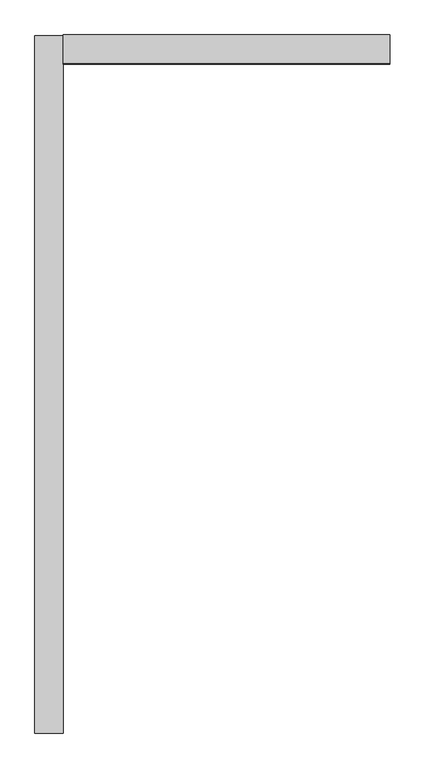
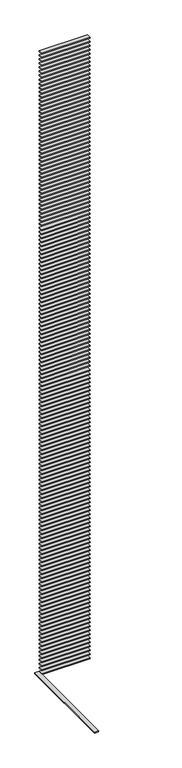
"""IFC4 building model written with IfcOpenShell, lengths in millimetres: proxy geometry."""

import ifcopenshell
import ifcopenshell.guid

model = None  # the IFC model being written
_history = None  # IfcOwnerHistory: only IFC2X3 demands one
_inside = {}  # id of a spatial element -> (the spatial element, [elements in it])
_under = {}  # id of a project, library or spatial element -> (it, [spatial elements below it])
_declared = {}  # id of a project -> (the project, [libraries it declares])
_typed = {}  # id of a type object -> (the type object, [elements of that type])
_made_of = {}  # id of a material, layer set ... -> (it, [elements and type objects made of it])


def new_model(schema):
    """Start an empty IFC model of exactly this schema.

    Asked for "IFC4X3", IfcOpenShell would pick the latest addendum, in which some entities
    have other attributes; the version numbers below select the first issue.
    IFC2X3 requires an IfcOwnerHistory on every rooted entity: one is made here for all.
    """
    global model, _history
    if schema == "IFC4X3":
        model = ifcopenshell.file(schema_version=(4, 3, 0, 0))
    else:
        model = ifcopenshell.file(schema=schema)
    _inside.clear()
    _under.clear()
    _declared.clear()
    _typed.clear()
    _made_of.clear()
    _history = None
    if model.schema == "IFC2X3":
        org = make("IfcOrganization", Name="unknown")
        user = make(
            "IfcPersonAndOrganization",
            ThePerson=make("IfcPerson", FamilyName="unknown"),
            TheOrganization=org,
        )
        app = make(
            "IfcApplication",
            ApplicationDeveloper=org,
            Version="unknown",
            ApplicationFullName="unknown",
            ApplicationIdentifier="unknown",
        )
        _history = make(
            "IfcOwnerHistory",
            OwningUser=user,
            OwningApplication=app,
            ChangeAction="ADDED",
            CreationDate=0,
        )
    return model


def make(cls, **values):
    """One entity of the class cls with the attributes given. An attribute that is None is left unset."""
    return model.create_entity(
        cls, **{name: value for name, value in values.items() if value is not None}
    )


def rooted(cls, **values):
    """An entity with a GlobalId (a new one), such as an element, a storey or a relation."""
    return make(cls, GlobalId=ifcopenshell.guid.new(), OwnerHistory=_history, **values)


def si_unit(unit_type, name, prefix=None):
    """IfcSIUnit, for example si_unit("LENGTHUNIT", "METRE", prefix="MILLI")."""
    return make("IfcSIUnit", UnitType=unit_type, Prefix=prefix, Name=name)


def assignment(units):
    """IfcUnitAssignment: the units of a project."""
    return None if units is None else make("IfcUnitAssignment", Units=units)


def point(xyz):
    """IfcCartesianPoint."""
    return None if xyz is None else make("IfcCartesianPoint", Coordinates=xyz)


def direction(xyz):
    """IfcDirection."""
    return None if xyz is None else make("IfcDirection", DirectionRatios=xyz)


def frame(location, z_axis=None, x_axis=None):
    """IfcAxis2Placement3D, a coordinate frame: its origin and axes. An axis left out is left unset."""
    return make(
        "IfcAxis2Placement3D",
        Location=point(location),
        Axis=direction(z_axis),
        RefDirection=direction(x_axis),
    )


def origin():
    """The frame at (0, 0, 0) with its axes left unset."""
    return frame((0.0, 0.0, 0.0))


def place(relative_to, where):
    """IfcLocalPlacement: puts the frame where relative to a parent placement (None: the world)."""
    return make(
        "IfcLocalPlacement", PlacementRelTo=relative_to, RelativePlacement=where
    )


def context(
    kind, dimensions, precision=None, world=None, true_north=None, identifier=None
):
    """IfcGeometricRepresentationContext, for example the 3D "Model" context."""
    return make(
        "IfcGeometricRepresentationContext",
        ContextIdentifier=identifier,
        ContextType=kind,
        CoordinateSpaceDimension=dimensions,
        Precision=precision,
        WorldCoordinateSystem=world,
        TrueNorth=true_north,
    )


def project(units=None, contexts=None):
    """IfcProject with its units and contexts."""
    return rooted(
        "IfcProject",
        Name="project",
        RepresentationContexts=contexts,
        UnitsInContext=assignment(units),
    )


def spatial(cls, under=None, at=None, **own):
    """A site, building, storey or space (cls), placed at a placement, below another one or the project."""
    s = rooted(cls, ObjectPlacement=at, **own)
    if under is not None:
        _under.setdefault(under.id(), (under, []))[1].append(s)
    return s


def polyline(points):
    """IfcPolyline through the points."""
    return make("IfcPolyline", Points=[point(p) for p in points])


def outline(outer, holes=None, kind="AREA"):
    """IfcArbitraryClosedProfileDef: a profile drawn as a closed curve; with holes, ...WithVoids."""
    if holes is None:
        return make("IfcArbitraryClosedProfileDef", ProfileType=kind, OuterCurve=outer)
    return make(
        "IfcArbitraryProfileDefWithVoids",
        ProfileType=kind,
        OuterCurve=outer,
        InnerCurves=holes,
    )


def extrude(swept, where, along, depth):
    """IfcExtrudedAreaSolid: the profile swept, set in the frame where, extruded along a direction by depth."""
    return make(
        "IfcExtrudedAreaSolid",
        SweptArea=swept,
        Position=where,
        ExtrudedDirection=direction(along),
        Depth=depth,
    )


def shape(context_of_items, identifier, shape_type, items):
    """IfcShapeRepresentation: the items that make up one representation, for example the "Body"."""
    return make(
        "IfcShapeRepresentation",
        ContextOfItems=context_of_items,
        RepresentationIdentifier=identifier,
        RepresentationType=shape_type,
        Items=items,
    )


def source(mapping_origin, context_of_items, identifier, shape_type, items):
    """IfcRepresentationMap: a shape defined once, which mapped items show again and again."""
    return make(
        "IfcRepresentationMap",
        MappingOrigin=mapping_origin,
        MappedRepresentation=shape(context_of_items, identifier, shape_type, items),
    )


def transform(
    local_origin,
    x_axis=None,
    y_axis=None,
    z_axis=None,
    scale=None,
    scale2=None,
    scale3=None,
    uniform=True,
):
    """IfcCartesianTransformationOperator3D, or its non-uniform kind. x_axis, y_axis, z_axis: its Axis1, 2, 3."""
    if uniform:
        return make(
            "IfcCartesianTransformationOperator3D",
            Axis1=direction(x_axis),
            Axis2=direction(y_axis),
            LocalOrigin=point(local_origin),
            Scale=scale,
            Axis3=direction(z_axis),
        )
    return make(
        "IfcCartesianTransformationOperator3DnonUniform",
        Axis1=direction(x_axis),
        Axis2=direction(y_axis),
        LocalOrigin=point(local_origin),
        Scale=scale,
        Axis3=direction(z_axis),
        Scale2=scale2,
        Scale3=scale3,
    )


def mapped(mapping_source, mapping_target):
    """IfcMappedItem: shows the shape of a source again, moved by a transform."""
    return make(
        "IfcMappedItem", MappingSource=mapping_source, MappingTarget=mapping_target
    )


def made_of(thing, what):
    """Note that an element or type object is made of a material, layer set ...; save() writes the relation."""
    if what is not None:
        _made_of.setdefault(what.id(), (what, []))[1].append(thing)
    return thing


def element(
    cls,
    number,
    at=None,
    inside=None,
    cuts=None,
    type_object=None,
    material=None,
    context=None,
    identifier="Body",
    shape_type=None,
    held_by="IfcProductDefinitionShape",
    body=None,
    shapes=None,
    **own,
):
    """One element of the class cls, such as IfcWall. Its Tag is "e" and its number.

    at: its placement. inside: the storey or other place that contains it. cuts: it is an
    opening in that element (IfcRelVoidsElement). A single representation is given by context,
    identifier, shape_type and body (its items); several are given by shapes. held_by: the class
    of the entity that holds the representations. save() writes the other relations.
    """
    e = rooted(cls, Tag="e%d" % number, ObjectPlacement=at, **own)
    if body is not None:
        shapes = [shape(context, identifier, shape_type, body)]
    if shapes is not None:
        e.Representation = make(held_by, Representations=shapes)
    if inside is not None:
        _inside.setdefault(inside.id(), (inside, []))[1].append(e)
    if cuts is not None:
        rooted(
            "IfcRelVoidsElement", RelatingBuildingElement=cuts, RelatedOpeningElement=e
        )
    if type_object is not None:
        _typed.setdefault(type_object.id(), (type_object, []))[1].append(e)
    return made_of(e, material)


def aggregate(whole, parts):
    """IfcRelAggregates: a whole, such as a stair, and the parts it consists of."""
    return rooted("IfcRelAggregates", RelatingObject=whole, RelatedObjects=parts)


def save(model, path):
    """Write the relations noted so far, then the file.

    IfcRelAggregates (storeys below a building ...), IfcRelContainedInSpatialStructure (elements
    in a storey), IfcRelDefinesByType, IfcRelAssociatesMaterial and IfcRelDeclares: one each for
    every whole, place, type object, material and project.
    """
    for whole, parts in _under.values():
        aggregate(whole, parts)
    for where, things in _inside.values():
        rooted(
            "IfcRelContainedInSpatialStructure",
            RelatedElements=things,
            RelatingStructure=where,
        )
    for kind, things in _typed.values():
        rooted("IfcRelDefinesByType", RelatedObjects=things, RelatingType=kind)
    for what, things in _made_of.values():
        rooted("IfcRelAssociatesMaterial", RelatedObjects=things, RelatingMaterial=what)
    for by, libraries in _declared.values():
        rooted("IfcRelDeclares", RelatingContext=by, RelatedDefinitions=libraries)
    model.write(path)


def generic_models_a66b474c(model_context):
    return source(origin(), model_context, "Body", "SweptSolid", [
        extrude(outline(polyline([(-100.0, -4895.0), (-300.0, -4895.0), (-300.0, 0.0), (-100.0, 0.0), (-100.0, -4895.0)])), frame((0.0, 0.0, -25.0), z_axis=(0.0, 0.0, 1.0), x_axis=(1.0, 0.0, 0.0)), (0.0, 0.0, 1.0), 50.0),
        extrude(outline(polyline([(-100.0, -200.0), (-100.0, 0.0), (2195.0, 0.0), (2195.0, -200.0), (-100.0, -200.0)])), frame((0.0, 0.0, 30975.0), z_axis=(0.0, 0.0, 1.0), x_axis=(1.0, 0.0, 0.0)), (0.0, 0.0, 1.0), 50.0),
        extrude(outline(polyline([(-100.0, -200.0), (-100.0, 0.0), (2195.0, 0.0), (2195.0, -200.0), (-100.0, -200.0)])), frame((0.0, 0.0, 30775.0), z_axis=(0.0, 0.0, 1.0), x_axis=(1.0, 0.0, 0.0)), (0.0, 0.0, 1.0), 50.0),
        extrude(outline(polyline([(-100.0, -200.0), (-100.0, 0.0), (2195.0, 0.0), (2195.0, -200.0), (-100.0, -200.0)])), frame((0.0, 0.0, 30575.0), z_axis=(0.0, 0.0, 1.0), x_axis=(1.0, 0.0, 0.0)), (0.0, 0.0, 1.0), 50.0),
        extrude(outline(polyline([(-100.0, -200.0), (-100.0, 0.0), (2195.0, 0.0), (2195.0, -200.0), (-100.0, -200.0)])), frame((0.0, 0.0, 30375.0), z_axis=(0.0, 0.0, 1.0), x_axis=(1.0, 0.0, 0.0)), (0.0, 0.0, 1.0), 50.0),
        extrude(outline(polyline([(-100.0, -200.0), (-100.0, 0.0), (2195.0, 0.0), (2195.0, -200.0), (-100.0, -200.0)])), frame((0.0, 0.0, 30175.0), z_axis=(0.0, 0.0, 1.0), x_axis=(1.0, 0.0, 0.0)), (0.0, 0.0, 1.0), 50.0),
        extrude(outline(polyline([(-100.0, -200.0), (-100.0, 0.0), (2195.0, 0.0), (2195.0, -200.0), (-100.0, -200.0)])), frame((0.0, 0.0, 29975.0), z_axis=(0.0, 0.0, 1.0), x_axis=(1.0, 0.0, 0.0)), (0.0, 0.0, 1.0), 50.0),
        extrude(outline(polyline([(-100.0, -200.0), (-100.0, 0.0), (2195.0, 0.0), (2195.0, -200.0), (-100.0, -200.0)])), frame((0.0, 0.0, 29775.0), z_axis=(0.0, 0.0, 1.0), x_axis=(1.0, 0.0, 0.0)), (0.0, 0.0, 1.0), 50.0),
        extrude(outline(polyline([(-100.0, -200.0), (-100.0, 0.0), (2195.0, 0.0), (2195.0, -200.0), (-100.0, -200.0)])), frame((0.0, 0.0, 29575.0), z_axis=(0.0, 0.0, 1.0), x_axis=(1.0, 0.0, 0.0)), (0.0, 0.0, 1.0), 50.0),
        extrude(outline(polyline([(-100.0, -200.0), (-100.0, 0.0), (2195.0, 0.0), (2195.0, -200.0), (-100.0, -200.0)])), frame((0.0, 0.0, 29375.0), z_axis=(0.0, 0.0, 1.0), x_axis=(1.0, 0.0, 0.0)), (0.0, 0.0, 1.0), 50.0),
        extrude(outline(polyline([(-100.0, -200.0), (-100.0, 0.0), (2195.0, 0.0), (2195.0, -200.0), (-100.0, -200.0)])), frame((0.0, 0.0, 29175.0), z_axis=(0.0, 0.0, 1.0), x_axis=(1.0, 0.0, 0.0)), (0.0, 0.0, 1.0), 50.0),
        extrude(outline(polyline([(-100.0, -200.0), (-100.0, 0.0), (2195.0, 0.0), (2195.0, -200.0), (-100.0, -200.0)])), frame((0.0, 0.0, 28975.0), z_axis=(0.0, 0.0, 1.0), x_axis=(1.0, 0.0, 0.0)), (0.0, 0.0, 1.0), 50.0),
        extrude(outline(polyline([(-100.0, -200.0), (-100.0, 0.0), (2195.0, 0.0), (2195.0, -200.0), (-100.0, -200.0)])), frame((0.0, 0.0, 28775.0), z_axis=(0.0, 0.0, 1.0), x_axis=(1.0, 0.0, 0.0)), (0.0, 0.0, 1.0), 50.0),
        extrude(outline(polyline([(-100.0, -200.0), (-100.0, 0.0), (2195.0, 0.0), (2195.0, -200.0), (-100.0, -200.0)])), frame((0.0, 0.0, 28575.0), z_axis=(0.0, 0.0, 1.0), x_axis=(1.0, 0.0, 0.0)), (0.0, 0.0, 1.0), 50.0),
        extrude(outline(polyline([(-100.0, -200.0), (-100.0, 0.0), (2195.0, 0.0), (2195.0, -200.0), (-100.0, -200.0)])), frame((0.0, 0.0, 28375.0), z_axis=(0.0, 0.0, 1.0), x_axis=(1.0, 0.0, 0.0)), (0.0, 0.0, 1.0), 50.0),
        extrude(outline(polyline([(-100.0, -200.0), (-100.0, 0.0), (2195.0, 0.0), (2195.0, -200.0), (-100.0, -200.0)])), frame((0.0, 0.0, 28175.0), z_axis=(0.0, 0.0, 1.0), x_axis=(1.0, 0.0, 0.0)), (0.0, 0.0, 1.0), 50.0),
        extrude(outline(polyline([(-100.0, -200.0), (-100.0, 0.0), (2195.0, 0.0), (2195.0, -200.0), (-100.0, -200.0)])), frame((0.0, 0.0, 27975.0), z_axis=(0.0, 0.0, 1.0), x_axis=(1.0, 0.0, 0.0)), (0.0, 0.0, 1.0), 50.0),
        extrude(outline(polyline([(-100.0, -200.0), (-100.0, 0.0), (2195.0, 0.0), (2195.0, -200.0), (-100.0, -200.0)])), frame((0.0, 0.0, 27775.0), z_axis=(0.0, 0.0, 1.0), x_axis=(1.0, 0.0, 0.0)), (0.0, 0.0, 1.0), 50.0),
        extrude(outline(polyline([(-100.0, -200.0), (-100.0, 0.0), (2195.0, 0.0), (2195.0, -200.0), (-100.0, -200.0)])), frame((0.0, 0.0, 27575.0), z_axis=(0.0, 0.0, 1.0), x_axis=(1.0, 0.0, 0.0)), (0.0, 0.0, 1.0), 50.0),
        extrude(outline(polyline([(-100.0, -200.0), (-100.0, 0.0), (2195.0, 0.0), (2195.0, -200.0), (-100.0, -200.0)])), frame((0.0, 0.0, 27375.0), z_axis=(0.0, 0.0, 1.0), x_axis=(1.0, 0.0, 0.0)), (0.0, 0.0, 1.0), 50.0),
        extrude(outline(polyline([(-100.0, -200.0), (-100.0, 0.0), (2195.0, 0.0), (2195.0, -200.0), (-100.0, -200.0)])), frame((0.0, 0.0, 27175.0), z_axis=(0.0, 0.0, 1.0), x_axis=(1.0, 0.0, 0.0)), (0.0, 0.0, 1.0), 50.0),
        extrude(outline(polyline([(-100.0, -200.0), (-100.0, 0.0), (2195.0, 0.0), (2195.0, -200.0), (-100.0, -200.0)])), frame((0.0, 0.0, 26975.0), z_axis=(0.0, 0.0, 1.0), x_axis=(1.0, 0.0, 0.0)), (0.0, 0.0, 1.0), 50.0),
        extrude(outline(polyline([(-100.0, -200.0), (-100.0, 0.0), (2195.0, 0.0), (2195.0, -200.0), (-100.0, -200.0)])), frame((0.0, 0.0, 26775.0), z_axis=(0.0, 0.0, 1.0), x_axis=(1.0, 0.0, 0.0)), (0.0, 0.0, 1.0), 50.0),
        extrude(outline(polyline([(-100.0, -200.0), (-100.0, 0.0), (2195.0, 0.0), (2195.0, -200.0), (-100.0, -200.0)])), frame((0.0, 0.0, 26575.0), z_axis=(0.0, 0.0, 1.0), x_axis=(1.0, 0.0, 0.0)), (0.0, 0.0, 1.0), 50.0),
        extrude(outline(polyline([(-100.0, -200.0), (-100.0, 0.0), (2195.0, 0.0), (2195.0, -200.0), (-100.0, -200.0)])), frame((0.0, 0.0, 26375.0), z_axis=(0.0, 0.0, 1.0), x_axis=(1.0, 0.0, 0.0)), (0.0, 0.0, 1.0), 50.0),
        extrude(outline(polyline([(-100.0, -200.0), (-100.0, 0.0), (2195.0, 0.0), (2195.0, -200.0), (-100.0, -200.0)])), frame((0.0, 0.0, 26175.0), z_axis=(0.0, 0.0, 1.0), x_axis=(1.0, 0.0, 0.0)), (0.0, 0.0, 1.0), 50.0),
        extrude(outline(polyline([(-100.0, -200.0), (-100.0, 0.0), (2195.0, 0.0), (2195.0, -200.0), (-100.0, -200.0)])), frame((0.0, 0.0, 25975.0), z_axis=(0.0, 0.0, 1.0), x_axis=(1.0, 0.0, 0.0)), (0.0, 0.0, 1.0), 50.0),
        extrude(outline(polyline([(-100.0, -200.0), (-100.0, 0.0), (2195.0, 0.0), (2195.0, -200.0), (-100.0, -200.0)])), frame((0.0, 0.0, 25775.0), z_axis=(0.0, 0.0, 1.0), x_axis=(1.0, 0.0, 0.0)), (0.0, 0.0, 1.0), 50.0),
        extrude(outline(polyline([(-100.0, -200.0), (-100.0, 0.0), (2195.0, 0.0), (2195.0, -200.0), (-100.0, -200.0)])), frame((0.0, 0.0, 25575.0), z_axis=(0.0, 0.0, 1.0), x_axis=(1.0, 0.0, 0.0)), (0.0, 0.0, 1.0), 50.0),
        extrude(outline(polyline([(-100.0, -200.0), (-100.0, 0.0), (2195.0, 0.0), (2195.0, -200.0), (-100.0, -200.0)])), frame((0.0, 0.0, 25375.0), z_axis=(0.0, 0.0, 1.0), x_axis=(1.0, 0.0, 0.0)), (0.0, 0.0, 1.0), 50.0),
        extrude(outline(polyline([(-100.0, -200.0), (-100.0, 0.0), (2195.0, 0.0), (2195.0, -200.0), (-100.0, -200.0)])), frame((0.0, 0.0, 25175.0), z_axis=(0.0, 0.0, 1.0), x_axis=(1.0, 0.0, 0.0)), (0.0, 0.0, 1.0), 50.0),
        extrude(outline(polyline([(-100.0, -200.0), (-100.0, 0.0), (2195.0, 0.0), (2195.0, -200.0), (-100.0, -200.0)])), frame((0.0, 0.0, 24975.0), z_axis=(0.0, 0.0, 1.0), x_axis=(1.0, 0.0, 0.0)), (0.0, 0.0, 1.0), 50.0),
        extrude(outline(polyline([(-100.0, -200.0), (-100.0, 0.0), (2195.0, 0.0), (2195.0, -200.0), (-100.0, -200.0)])), frame((0.0, 0.0, 24775.0), z_axis=(0.0, 0.0, 1.0), x_axis=(1.0, 0.0, 0.0)), (0.0, 0.0, 1.0), 50.0),
        extrude(outline(polyline([(-100.0, -200.0), (-100.0, 0.0), (2195.0, 0.0), (2195.0, -200.0), (-100.0, -200.0)])), frame((0.0, 0.0, 24575.0), z_axis=(0.0, 0.0, 1.0), x_axis=(1.0, 0.0, 0.0)), (0.0, 0.0, 1.0), 50.0),
        extrude(outline(polyline([(-100.0, -200.0), (-100.0, 0.0), (2195.0, 0.0), (2195.0, -200.0), (-100.0, -200.0)])), frame((0.0, 0.0, 24375.0), z_axis=(0.0, 0.0, 1.0), x_axis=(1.0, 0.0, 0.0)), (0.0, 0.0, 1.0), 50.0),
        extrude(outline(polyline([(-100.0, -200.0), (-100.0, 0.0), (2195.0, 0.0), (2195.0, -200.0), (-100.0, -200.0)])), frame((0.0, 0.0, 24175.0), z_axis=(0.0, 0.0, 1.0), x_axis=(1.0, 0.0, 0.0)), (0.0, 0.0, 1.0), 50.0),
        extrude(outline(polyline([(-100.0, -200.0), (-100.0, 0.0), (2195.0, 0.0), (2195.0, -200.0), (-100.0, -200.0)])), frame((0.0, 0.0, 23975.0), z_axis=(0.0, 0.0, 1.0), x_axis=(1.0, 0.0, 0.0)), (0.0, 0.0, 1.0), 50.0),
        extrude(outline(polyline([(-100.0, -200.0), (-100.0, 0.0), (2195.0, 0.0), (2195.0, -200.0), (-100.0, -200.0)])), frame((0.0, 0.0, 23775.0), z_axis=(0.0, 0.0, 1.0), x_axis=(1.0, 0.0, 0.0)), (0.0, 0.0, 1.0), 50.0),
        extrude(outline(polyline([(-100.0, -200.0), (-100.0, 0.0), (2195.0, 0.0), (2195.0, -200.0), (-100.0, -200.0)])), frame((0.0, 0.0, 23575.0), z_axis=(0.0, 0.0, 1.0), x_axis=(1.0, 0.0, 0.0)), (0.0, 0.0, 1.0), 50.0),
        extrude(outline(polyline([(-100.0, -200.0), (-100.0, 0.0), (2195.0, 0.0), (2195.0, -200.0), (-100.0, -200.0)])), frame((0.0, 0.0, 23375.0), z_axis=(0.0, 0.0, 1.0), x_axis=(1.0, 0.0, 0.0)), (0.0, 0.0, 1.0), 50.0),
        extrude(outline(polyline([(-100.0, -200.0), (-100.0, 0.0), (2195.0, 0.0), (2195.0, -200.0), (-100.0, -200.0)])), frame((0.0, 0.0, 23175.0), z_axis=(0.0, 0.0, 1.0), x_axis=(1.0, 0.0, 0.0)), (0.0, 0.0, 1.0), 50.0),
        extrude(outline(polyline([(-100.0, -200.0), (-100.0, 0.0), (2195.0, 0.0), (2195.0, -200.0), (-100.0, -200.0)])), frame((0.0, 0.0, 22975.0), z_axis=(0.0, 0.0, 1.0), x_axis=(1.0, 0.0, 0.0)), (0.0, 0.0, 1.0), 50.0),
        extrude(outline(polyline([(-100.0, -200.0), (-100.0, 0.0), (2195.0, 0.0), (2195.0, -200.0), (-100.0, -200.0)])), frame((0.0, 0.0, 22775.0), z_axis=(0.0, 0.0, 1.0), x_axis=(1.0, 0.0, 0.0)), (0.0, 0.0, 1.0), 50.0),
        extrude(outline(polyline([(-100.0, -200.0), (-100.0, 0.0), (2195.0, 0.0), (2195.0, -200.0), (-100.0, -200.0)])), frame((0.0, 0.0, 22575.0), z_axis=(0.0, 0.0, 1.0), x_axis=(1.0, 0.0, 0.0)), (0.0, 0.0, 1.0), 50.0),
        extrude(outline(polyline([(-100.0, -200.0), (-100.0, 0.0), (2195.0, 0.0), (2195.0, -200.0), (-100.0, -200.0)])), frame((0.0, 0.0, 22375.0), z_axis=(0.0, 0.0, 1.0), x_axis=(1.0, 0.0, 0.0)), (0.0, 0.0, 1.0), 50.0),
        extrude(outline(polyline([(-100.0, -200.0), (-100.0, 0.0), (2195.0, 0.0), (2195.0, -200.0), (-100.0, -200.0)])), frame((0.0, 0.0, 22175.0), z_axis=(0.0, 0.0, 1.0), x_axis=(1.0, 0.0, 0.0)), (0.0, 0.0, 1.0), 50.0),
        extrude(outline(polyline([(-100.0, -200.0), (-100.0, 0.0), (2195.0, 0.0), (2195.0, -200.0), (-100.0, -200.0)])), frame((0.0, 0.0, 21975.0), z_axis=(0.0, 0.0, 1.0), x_axis=(1.0, 0.0, 0.0)), (0.0, 0.0, 1.0), 50.0),
        extrude(outline(polyline([(-100.0, -200.0), (-100.0, 0.0), (2195.0, 0.0), (2195.0, -200.0), (-100.0, -200.0)])), frame((0.0, 0.0, 21775.0), z_axis=(0.0, 0.0, 1.0), x_axis=(1.0, 0.0, 0.0)), (0.0, 0.0, 1.0), 50.0),
        extrude(outline(polyline([(-100.0, -200.0), (-100.0, 0.0), (2195.0, 0.0), (2195.0, -200.0), (-100.0, -200.0)])), frame((0.0, 0.0, 21575.0), z_axis=(0.0, 0.0, 1.0), x_axis=(1.0, 0.0, 0.0)), (0.0, 0.0, 1.0), 50.0),
        extrude(outline(polyline([(-100.0, -200.0), (-100.0, 0.0), (2195.0, 0.0), (2195.0, -200.0), (-100.0, -200.0)])), frame((0.0, 0.0, 21375.0), z_axis=(0.0, 0.0, 1.0), x_axis=(1.0, 0.0, 0.0)), (0.0, 0.0, 1.0), 50.0),
        extrude(outline(polyline([(-100.0, -200.0), (-100.0, 0.0), (2195.0, 0.0), (2195.0, -200.0), (-100.0, -200.0)])), frame((0.0, 0.0, 21175.0), z_axis=(0.0, 0.0, 1.0), x_axis=(1.0, 0.0, 0.0)), (0.0, 0.0, 1.0), 50.0),
        extrude(outline(polyline([(-100.0, -200.0), (-100.0, 0.0), (2195.0, 0.0), (2195.0, -200.0), (-100.0, -200.0)])), frame((0.0, 0.0, 20975.0), z_axis=(0.0, 0.0, 1.0), x_axis=(1.0, 0.0, 0.0)), (0.0, 0.0, 1.0), 50.0),
        extrude(outline(polyline([(-100.0, -200.0), (-100.0, 0.0), (2195.0, 0.0), (2195.0, -200.0), (-100.0, -200.0)])), frame((0.0, 0.0, 20775.0), z_axis=(0.0, 0.0, 1.0), x_axis=(1.0, 0.0, 0.0)), (0.0, 0.0, 1.0), 50.0),
        extrude(outline(polyline([(-100.0, -200.0), (-100.0, 0.0), (2195.0, 0.0), (2195.0, -200.0), (-100.0, -200.0)])), frame((0.0, 0.0, 20575.0), z_axis=(0.0, 0.0, 1.0), x_axis=(1.0, 0.0, 0.0)), (0.0, 0.0, 1.0), 50.0),
        extrude(outline(polyline([(-100.0, -200.0), (-100.0, 0.0), (2195.0, 0.0), (2195.0, -200.0), (-100.0, -200.0)])), frame((0.0, 0.0, 20375.0), z_axis=(0.0, 0.0, 1.0), x_axis=(1.0, 0.0, 0.0)), (0.0, 0.0, 1.0), 50.0),
        extrude(outline(polyline([(-100.0, -200.0), (-100.0, 0.0), (2195.0, 0.0), (2195.0, -200.0), (-100.0, -200.0)])), frame((0.0, 0.0, 20175.0), z_axis=(0.0, 0.0, 1.0), x_axis=(1.0, 0.0, 0.0)), (0.0, 0.0, 1.0), 50.0),
        extrude(outline(polyline([(-100.0, -200.0), (-100.0, 0.0), (2195.0, 0.0), (2195.0, -200.0), (-100.0, -200.0)])), frame((0.0, 0.0, 19975.0), z_axis=(0.0, 0.0, 1.0), x_axis=(1.0, 0.0, 0.0)), (0.0, 0.0, 1.0), 50.0),
        extrude(outline(polyline([(-100.0, -200.0), (-100.0, 0.0), (2195.0, 0.0), (2195.0, -200.0), (-100.0, -200.0)])), frame((0.0, 0.0, 19775.0), z_axis=(0.0, 0.0, 1.0), x_axis=(1.0, 0.0, 0.0)), (0.0, 0.0, 1.0), 50.0),
        extrude(outline(polyline([(-100.0, -200.0), (-100.0, 0.0), (2195.0, 0.0), (2195.0, -200.0), (-100.0, -200.0)])), frame((0.0, 0.0, 19575.0), z_axis=(0.0, 0.0, 1.0), x_axis=(1.0, 0.0, 0.0)), (0.0, 0.0, 1.0), 50.0),
        extrude(outline(polyline([(-100.0, -200.0), (-100.0, 0.0), (2195.0, 0.0), (2195.0, -200.0), (-100.0, -200.0)])), frame((0.0, 0.0, 19375.0), z_axis=(0.0, 0.0, 1.0), x_axis=(1.0, 0.0, 0.0)), (0.0, 0.0, 1.0), 50.0),
        extrude(outline(polyline([(-100.0, -200.0), (-100.0, 0.0), (2195.0, 0.0), (2195.0, -200.0), (-100.0, -200.0)])), frame((0.0, 0.0, 19175.0), z_axis=(0.0, 0.0, 1.0), x_axis=(1.0, 0.0, 0.0)), (0.0, 0.0, 1.0), 50.0),
        extrude(outline(polyline([(-100.0, -200.0), (-100.0, 0.0), (2195.0, 0.0), (2195.0, -200.0), (-100.0, -200.0)])), frame((0.0, 0.0, 18975.0), z_axis=(0.0, 0.0, 1.0), x_axis=(1.0, 0.0, 0.0)), (0.0, 0.0, 1.0), 50.0),
        extrude(outline(polyline([(-100.0, -200.0), (-100.0, 0.0), (2195.0, 0.0), (2195.0, -200.0), (-100.0, -200.0)])), frame((0.0, 0.0, 18775.0), z_axis=(0.0, 0.0, 1.0), x_axis=(1.0, 0.0, 0.0)), (0.0, 0.0, 1.0), 50.0),
        extrude(outline(polyline([(-100.0, -200.0), (-100.0, 0.0), (2195.0, 0.0), (2195.0, -200.0), (-100.0, -200.0)])), frame((0.0, 0.0, 18575.0), z_axis=(0.0, 0.0, 1.0), x_axis=(1.0, 0.0, 0.0)), (0.0, 0.0, 1.0), 50.0),
        extrude(outline(polyline([(-100.0, -200.0), (-100.0, 0.0), (2195.0, 0.0), (2195.0, -200.0), (-100.0, -200.0)])), frame((0.0, 0.0, 18375.0), z_axis=(0.0, 0.0, 1.0), x_axis=(1.0, 0.0, 0.0)), (0.0, 0.0, 1.0), 50.0),
        extrude(outline(polyline([(-100.0, -200.0), (-100.0, 0.0), (2195.0, 0.0), (2195.0, -200.0), (-100.0, -200.0)])), frame((0.0, 0.0, 18175.0), z_axis=(0.0, 0.0, 1.0), x_axis=(1.0, 0.0, 0.0)), (0.0, 0.0, 1.0), 50.0),
        extrude(outline(polyline([(-100.0, -200.0), (-100.0, 0.0), (2195.0, 0.0), (2195.0, -200.0), (-100.0, -200.0)])), frame((0.0, 0.0, 17975.0), z_axis=(0.0, 0.0, 1.0), x_axis=(1.0, 0.0, 0.0)), (0.0, 0.0, 1.0), 50.0),
        extrude(outline(polyline([(-100.0, -200.0), (-100.0, 0.0), (2195.0, 0.0), (2195.0, -200.0), (-100.0, -200.0)])), frame((0.0, 0.0, 17775.0), z_axis=(0.0, 0.0, 1.0), x_axis=(1.0, 0.0, 0.0)), (0.0, 0.0, 1.0), 50.0),
        extrude(outline(polyline([(-100.0, -200.0), (-100.0, 0.0), (2195.0, 0.0), (2195.0, -200.0), (-100.0, -200.0)])), frame((0.0, 0.0, 17575.0), z_axis=(0.0, 0.0, 1.0), x_axis=(1.0, 0.0, 0.0)), (0.0, 0.0, 1.0), 50.0),
        extrude(outline(polyline([(-100.0, -200.0), (-100.0, 0.0), (2195.0, 0.0), (2195.0, -200.0), (-100.0, -200.0)])), frame((0.0, 0.0, 17375.0), z_axis=(0.0, 0.0, 1.0), x_axis=(1.0, 0.0, 0.0)), (0.0, 0.0, 1.0), 50.0),
        extrude(outline(polyline([(-100.0, -200.0), (-100.0, 0.0), (2195.0, 0.0), (2195.0, -200.0), (-100.0, -200.0)])), frame((0.0, 0.0, 17175.0), z_axis=(0.0, 0.0, 1.0), x_axis=(1.0, 0.0, 0.0)), (0.0, 0.0, 1.0), 50.0),
        extrude(outline(polyline([(-100.0, -200.0), (-100.0, 0.0), (2195.0, 0.0), (2195.0, -200.0), (-100.0, -200.0)])), frame((0.0, 0.0, 16975.0), z_axis=(0.0, 0.0, 1.0), x_axis=(1.0, 0.0, 0.0)), (0.0, 0.0, 1.0), 50.0),
        extrude(outline(polyline([(-100.0, -200.0), (-100.0, 0.0), (2195.0, 0.0), (2195.0, -200.0), (-100.0, -200.0)])), frame((0.0, 0.0, 16775.0), z_axis=(0.0, 0.0, 1.0), x_axis=(1.0, 0.0, 0.0)), (0.0, 0.0, 1.0), 50.0),
        extrude(outline(polyline([(-100.0, -200.0), (-100.0, 0.0), (2195.0, 0.0), (2195.0, -200.0), (-100.0, -200.0)])), frame((0.0, 0.0, 16575.0), z_axis=(0.0, 0.0, 1.0), x_axis=(1.0, 0.0, 0.0)), (0.0, 0.0, 1.0), 50.0),
        extrude(outline(polyline([(-100.0, -200.0), (-100.0, 0.0), (2195.0, 0.0), (2195.0, -200.0), (-100.0, -200.0)])), frame((0.0, 0.0, 16375.0), z_axis=(0.0, 0.0, 1.0), x_axis=(1.0, 0.0, 0.0)), (0.0, 0.0, 1.0), 50.0),
        extrude(outline(polyline([(-100.0, -200.0), (-100.0, 0.0), (2195.0, 0.0), (2195.0, -200.0), (-100.0, -200.0)])), frame((0.0, 0.0, 16175.0), z_axis=(0.0, 0.0, 1.0), x_axis=(1.0, 0.0, 0.0)), (0.0, 0.0, 1.0), 50.0),
        extrude(outline(polyline([(-100.0, -200.0), (-100.0, 0.0), (2195.0, 0.0), (2195.0, -200.0), (-100.0, -200.0)])), frame((0.0, 0.0, 15975.0), z_axis=(0.0, 0.0, 1.0), x_axis=(1.0, 0.0, 0.0)), (0.0, 0.0, 1.0), 50.0),
        extrude(outline(polyline([(-100.0, -200.0), (-100.0, 0.0), (2195.0, 0.0), (2195.0, -200.0), (-100.0, -200.0)])), frame((0.0, 0.0, 15775.0), z_axis=(0.0, 0.0, 1.0), x_axis=(1.0, 0.0, 0.0)), (0.0, 0.0, 1.0), 50.0),
        extrude(outline(polyline([(-100.0, -200.0), (-100.0, 0.0), (2195.0, 0.0), (2195.0, -200.0), (-100.0, -200.0)])), frame((0.0, 0.0, 15575.0), z_axis=(0.0, 0.0, 1.0), x_axis=(1.0, 0.0, 0.0)), (0.0, 0.0, 1.0), 50.0),
        extrude(outline(polyline([(-100.0, -200.0), (-100.0, 0.0), (2195.0, 0.0), (2195.0, -200.0), (-100.0, -200.0)])), frame((0.0, 0.0, 15375.0), z_axis=(0.0, 0.0, 1.0), x_axis=(1.0, 0.0, 0.0)), (0.0, 0.0, 1.0), 50.0),
        extrude(outline(polyline([(-100.0, -200.0), (-100.0, 0.0), (2195.0, 0.0), (2195.0, -200.0), (-100.0, -200.0)])), frame((0.0, 0.0, 15175.0), z_axis=(0.0, 0.0, 1.0), x_axis=(1.0, 0.0, 0.0)), (0.0, 0.0, 1.0), 50.0),
        extrude(outline(polyline([(-100.0, -200.0), (-100.0, 0.0), (2195.0, 0.0), (2195.0, -200.0), (-100.0, -200.0)])), frame((0.0, 0.0, 14975.0), z_axis=(0.0, 0.0, 1.0), x_axis=(1.0, 0.0, 0.0)), (0.0, 0.0, 1.0), 50.0),
        extrude(outline(polyline([(-100.0, -200.0), (-100.0, 0.0), (2195.0, 0.0), (2195.0, -200.0), (-100.0, -200.0)])), frame((0.0, 0.0, 14775.0), z_axis=(0.0, 0.0, 1.0), x_axis=(1.0, 0.0, 0.0)), (0.0, 0.0, 1.0), 50.0),
        extrude(outline(polyline([(-100.0, -200.0), (-100.0, 0.0), (2195.0, 0.0), (2195.0, -200.0), (-100.0, -200.0)])), frame((0.0, 0.0, 14575.0), z_axis=(0.0, 0.0, 1.0), x_axis=(1.0, 0.0, 0.0)), (0.0, 0.0, 1.0), 50.0),
        extrude(outline(polyline([(-100.0, -200.0), (-100.0, 0.0), (2195.0, 0.0), (2195.0, -200.0), (-100.0, -200.0)])), frame((0.0, 0.0, 14375.0), z_axis=(0.0, 0.0, 1.0), x_axis=(1.0, 0.0, 0.0)), (0.0, 0.0, 1.0), 50.0),
        extrude(outline(polyline([(-100.0, -200.0), (-100.0, 0.0), (2195.0, 0.0), (2195.0, -200.0), (-100.0, -200.0)])), frame((0.0, 0.0, 14175.0), z_axis=(0.0, 0.0, 1.0), x_axis=(1.0, 0.0, 0.0)), (0.0, 0.0, 1.0), 50.0),
        extrude(outline(polyline([(-100.0, -200.0), (-100.0, 0.0), (2195.0, 0.0), (2195.0, -200.0), (-100.0, -200.0)])), frame((0.0, 0.0, 13975.0), z_axis=(0.0, 0.0, 1.0), x_axis=(1.0, 0.0, 0.0)), (0.0, 0.0, 1.0), 50.0),
        extrude(outline(polyline([(-100.0, -200.0), (-100.0, 0.0), (2195.0, 0.0), (2195.0, -200.0), (-100.0, -200.0)])), frame((0.0, 0.0, 13775.0), z_axis=(0.0, 0.0, 1.0), x_axis=(1.0, 0.0, 0.0)), (0.0, 0.0, 1.0), 50.0),
        extrude(outline(polyline([(-100.0, -200.0), (-100.0, 0.0), (2195.0, 0.0), (2195.0, -200.0), (-100.0, -200.0)])), frame((0.0, 0.0, 13575.0), z_axis=(0.0, 0.0, 1.0), x_axis=(1.0, 0.0, 0.0)), (0.0, 0.0, 1.0), 50.0),
        extrude(outline(polyline([(-100.0, -200.0), (-100.0, 0.0), (2195.0, 0.0), (2195.0, -200.0), (-100.0, -200.0)])), frame((0.0, 0.0, 13375.0), z_axis=(0.0, 0.0, 1.0), x_axis=(1.0, 0.0, 0.0)), (0.0, 0.0, 1.0), 50.0),
        extrude(outline(polyline([(-100.0, -200.0), (-100.0, 0.0), (2195.0, 0.0), (2195.0, -200.0), (-100.0, -200.0)])), frame((0.0, 0.0, 13175.0), z_axis=(0.0, 0.0, 1.0), x_axis=(1.0, 0.0, 0.0)), (0.0, 0.0, 1.0), 50.0),
        extrude(outline(polyline([(-100.0, -200.0), (-100.0, 0.0), (2195.0, 0.0), (2195.0, -200.0), (-100.0, -200.0)])), frame((0.0, 0.0, 12975.0), z_axis=(0.0, 0.0, 1.0), x_axis=(1.0, 0.0, 0.0)), (0.0, 0.0, 1.0), 50.0),
        extrude(outline(polyline([(-100.0, -200.0), (-100.0, 0.0), (2195.0, 0.0), (2195.0, -200.0), (-100.0, -200.0)])), frame((0.0, 0.0, 12775.0), z_axis=(0.0, 0.0, 1.0), x_axis=(1.0, 0.0, 0.0)), (0.0, 0.0, 1.0), 50.0),
        extrude(outline(polyline([(-100.0, -200.0), (-100.0, 0.0), (2195.0, 0.0), (2195.0, -200.0), (-100.0, -200.0)])), frame((0.0, 0.0, 12575.0), z_axis=(0.0, 0.0, 1.0), x_axis=(1.0, 0.0, 0.0)), (0.0, 0.0, 1.0), 50.0),
        extrude(outline(polyline([(-100.0, -200.0), (-100.0, 0.0), (2195.0, 0.0), (2195.0, -200.0), (-100.0, -200.0)])), frame((0.0, 0.0, 12375.0), z_axis=(0.0, 0.0, 1.0), x_axis=(1.0, 0.0, 0.0)), (0.0, 0.0, 1.0), 50.0),
        extrude(outline(polyline([(-100.0, -200.0), (-100.0, 0.0), (2195.0, 0.0), (2195.0, -200.0), (-100.0, -200.0)])), frame((0.0, 0.0, 12175.0), z_axis=(0.0, 0.0, 1.0), x_axis=(1.0, 0.0, 0.0)), (0.0, 0.0, 1.0), 50.0),
        extrude(outline(polyline([(-100.0, -200.0), (-100.0, 0.0), (2195.0, 0.0), (2195.0, -200.0), (-100.0, -200.0)])), frame((0.0, 0.0, 11975.0), z_axis=(0.0, 0.0, 1.0), x_axis=(1.0, 0.0, 0.0)), (0.0, 0.0, 1.0), 50.0),
        extrude(outline(polyline([(-100.0, -200.0), (-100.0, 0.0), (2195.0, 0.0), (2195.0, -200.0), (-100.0, -200.0)])), frame((0.0, 0.0, 11775.0), z_axis=(0.0, 0.0, 1.0), x_axis=(1.0, 0.0, 0.0)), (0.0, 0.0, 1.0), 50.0),
        extrude(outline(polyline([(-100.0, -200.0), (-100.0, 0.0), (2195.0, 0.0), (2195.0, -200.0), (-100.0, -200.0)])), frame((0.0, 0.0, 11575.0), z_axis=(0.0, 0.0, 1.0), x_axis=(1.0, 0.0, 0.0)), (0.0, 0.0, 1.0), 50.0),
        extrude(outline(polyline([(-100.0, -200.0), (-100.0, 0.0), (2195.0, 0.0), (2195.0, -200.0), (-100.0, -200.0)])), frame((0.0, 0.0, 11375.0), z_axis=(0.0, 0.0, 1.0), x_axis=(1.0, 0.0, 0.0)), (0.0, 0.0, 1.0), 50.0),
        extrude(outline(polyline([(-100.0, -200.0), (-100.0, 0.0), (2195.0, 0.0), (2195.0, -200.0), (-100.0, -200.0)])), frame((0.0, 0.0, 11175.0), z_axis=(0.0, 0.0, 1.0), x_axis=(1.0, 0.0, 0.0)), (0.0, 0.0, 1.0), 50.0),
        extrude(outline(polyline([(-100.0, -200.0), (-100.0, 0.0), (2195.0, 0.0), (2195.0, -200.0), (-100.0, -200.0)])), frame((0.0, 0.0, 10975.0), z_axis=(0.0, 0.0, 1.0), x_axis=(1.0, 0.0, 0.0)), (0.0, 0.0, 1.0), 50.0),
        extrude(outline(polyline([(-100.0, -200.0), (-100.0, 0.0), (2195.0, 0.0), (2195.0, -200.0), (-100.0, -200.0)])), frame((0.0, 0.0, 10775.0), z_axis=(0.0, 0.0, 1.0), x_axis=(1.0, 0.0, 0.0)), (0.0, 0.0, 1.0), 50.0),
        extrude(outline(polyline([(-100.0, -200.0), (-100.0, 0.0), (2195.0, 0.0), (2195.0, -200.0), (-100.0, -200.0)])), frame((0.0, 0.0, 10575.0), z_axis=(0.0, 0.0, 1.0), x_axis=(1.0, 0.0, 0.0)), (0.0, 0.0, 1.0), 50.0),
        extrude(outline(polyline([(-100.0, -200.0), (-100.0, 0.0), (2195.0, 0.0), (2195.0, -200.0), (-100.0, -200.0)])), frame((0.0, 0.0, 10375.0), z_axis=(0.0, 0.0, 1.0), x_axis=(1.0, 0.0, 0.0)), (0.0, 0.0, 1.0), 50.0),
        extrude(outline(polyline([(-100.0, -200.0), (-100.0, 0.0), (2195.0, 0.0), (2195.0, -200.0), (-100.0, -200.0)])), frame((0.0, 0.0, 10175.0), z_axis=(0.0, 0.0, 1.0), x_axis=(1.0, 0.0, 0.0)), (0.0, 0.0, 1.0), 50.0),
        extrude(outline(polyline([(-100.0, -200.0), (-100.0, 0.0), (2195.0, 0.0), (2195.0, -200.0), (-100.0, -200.0)])), frame((0.0, 0.0, 9975.0), z_axis=(0.0, 0.0, 1.0), x_axis=(1.0, 0.0, 0.0)), (0.0, 0.0, 1.0), 50.0),
        extrude(outline(polyline([(-100.0, -200.0), (-100.0, 0.0), (2195.0, 0.0), (2195.0, -200.0), (-100.0, -200.0)])), frame((0.0, 0.0, 9775.0), z_axis=(0.0, 0.0, 1.0), x_axis=(1.0, 0.0, 0.0)), (0.0, 0.0, 1.0), 50.0),
        extrude(outline(polyline([(-100.0, -200.0), (-100.0, 0.0), (2195.0, 0.0), (2195.0, -200.0), (-100.0, -200.0)])), frame((0.0, 0.0, 9575.0), z_axis=(0.0, 0.0, 1.0), x_axis=(1.0, 0.0, 0.0)), (0.0, 0.0, 1.0), 50.0),
        extrude(outline(polyline([(-100.0, -200.0), (-100.0, 0.0), (2195.0, 0.0), (2195.0, -200.0), (-100.0, -200.0)])), frame((0.0, 0.0, 9375.0), z_axis=(0.0, 0.0, 1.0), x_axis=(1.0, 0.0, 0.0)), (0.0, 0.0, 1.0), 50.0),
        extrude(outline(polyline([(-100.0, -200.0), (-100.0, 0.0), (2195.0, 0.0), (2195.0, -200.0), (-100.0, -200.0)])), frame((0.0, 0.0, 9175.0), z_axis=(0.0, 0.0, 1.0), x_axis=(1.0, 0.0, 0.0)), (0.0, 0.0, 1.0), 50.0),
        extrude(outline(polyline([(-100.0, -200.0), (-100.0, 0.0), (2195.0, 0.0), (2195.0, -200.0), (-100.0, -200.0)])), frame((0.0, 0.0, 8975.0), z_axis=(0.0, 0.0, 1.0), x_axis=(1.0, 0.0, 0.0)), (0.0, 0.0, 1.0), 50.0),
        extrude(outline(polyline([(-100.0, -200.0), (-100.0, 0.0), (2195.0, 0.0), (2195.0, -200.0), (-100.0, -200.0)])), frame((0.0, 0.0, 8775.0), z_axis=(0.0, 0.0, 1.0), x_axis=(1.0, 0.0, 0.0)), (0.0, 0.0, 1.0), 50.0),
        extrude(outline(polyline([(-100.0, -200.0), (-100.0, 0.0), (2195.0, 0.0), (2195.0, -200.0), (-100.0, -200.0)])), frame((0.0, 0.0, 8575.0), z_axis=(0.0, 0.0, 1.0), x_axis=(1.0, 0.0, 0.0)), (0.0, 0.0, 1.0), 50.0),
        extrude(outline(polyline([(-100.0, -200.0), (-100.0, 0.0), (2195.0, 0.0), (2195.0, -200.0), (-100.0, -200.0)])), frame((0.0, 0.0, 8375.0), z_axis=(0.0, 0.0, 1.0), x_axis=(1.0, 0.0, 0.0)), (0.0, 0.0, 1.0), 50.0),
        extrude(outline(polyline([(-100.0, -200.0), (-100.0, 0.0), (2195.0, 0.0), (2195.0, -200.0), (-100.0, -200.0)])), frame((0.0, 0.0, 8175.0), z_axis=(0.0, 0.0, 1.0), x_axis=(1.0, 0.0, 0.0)), (0.0, 0.0, 1.0), 50.0),
        extrude(outline(polyline([(-100.0, -200.0), (-100.0, 0.0), (2195.0, 0.0), (2195.0, -200.0), (-100.0, -200.0)])), frame((0.0, 0.0, 7975.0), z_axis=(0.0, 0.0, 1.0), x_axis=(1.0, 0.0, 0.0)), (0.0, 0.0, 1.0), 50.0),
        extrude(outline(polyline([(-100.0, -200.0), (-100.0, 0.0), (2195.0, 0.0), (2195.0, -200.0), (-100.0, -200.0)])), frame((0.0, 0.0, 7775.0), z_axis=(0.0, 0.0, 1.0), x_axis=(1.0, 0.0, 0.0)), (0.0, 0.0, 1.0), 50.0),
        extrude(outline(polyline([(-100.0, -200.0), (-100.0, 0.0), (2195.0, 0.0), (2195.0, -200.0), (-100.0, -200.0)])), frame((0.0, 0.0, 7575.0), z_axis=(0.0, 0.0, 1.0), x_axis=(1.0, 0.0, 0.0)), (0.0, 0.0, 1.0), 50.0),
        extrude(outline(polyline([(-100.0, -200.0), (-100.0, 0.0), (2195.0, 0.0), (2195.0, -200.0), (-100.0, -200.0)])), frame((0.0, 0.0, 7375.0), z_axis=(0.0, 0.0, 1.0), x_axis=(1.0, 0.0, 0.0)), (0.0, 0.0, 1.0), 50.0),
        extrude(outline(polyline([(-100.0, -200.0), (-100.0, 0.0), (2195.0, 0.0), (2195.0, -200.0), (-100.0, -200.0)])), frame((0.0, 0.0, 7175.0), z_axis=(0.0, 0.0, 1.0), x_axis=(1.0, 0.0, 0.0)), (0.0, 0.0, 1.0), 50.0),
        extrude(outline(polyline([(-100.0, -200.0), (-100.0, 0.0), (2195.0, 0.0), (2195.0, -200.0), (-100.0, -200.0)])), frame((0.0, 0.0, 6975.0), z_axis=(0.0, 0.0, 1.0), x_axis=(1.0, 0.0, 0.0)), (0.0, 0.0, 1.0), 50.0),
        extrude(outline(polyline([(-100.0, -200.0), (-100.0, 0.0), (2195.0, 0.0), (2195.0, -200.0), (-100.0, -200.0)])), frame((0.0, 0.0, 6775.0), z_axis=(0.0, 0.0, 1.0), x_axis=(1.0, 0.0, 0.0)), (0.0, 0.0, 1.0), 50.0),
        extrude(outline(polyline([(-100.0, -200.0), (-100.0, 0.0), (2195.0, 0.0), (2195.0, -200.0), (-100.0, -200.0)])), frame((0.0, 0.0, 6575.0), z_axis=(0.0, 0.0, 1.0), x_axis=(1.0, 0.0, 0.0)), (0.0, 0.0, 1.0), 50.0),
        extrude(outline(polyline([(-100.0, -200.0), (-100.0, 0.0), (2195.0, 0.0), (2195.0, -200.0), (-100.0, -200.0)])), frame((0.0, 0.0, 6375.0), z_axis=(0.0, 0.0, 1.0), x_axis=(1.0, 0.0, 0.0)), (0.0, 0.0, 1.0), 50.0),
        extrude(outline(polyline([(-100.0, -200.0), (-100.0, 0.0), (2195.0, 0.0), (2195.0, -200.0), (-100.0, -200.0)])), frame((0.0, 0.0, 6175.0), z_axis=(0.0, 0.0, 1.0), x_axis=(1.0, 0.0, 0.0)), (0.0, 0.0, 1.0), 50.0),
        extrude(outline(polyline([(-100.0, -200.0), (-100.0, 0.0), (2195.0, 0.0), (2195.0, -200.0), (-100.0, -200.0)])), frame((0.0, 0.0, 5975.0), z_axis=(0.0, 0.0, 1.0), x_axis=(1.0, 0.0, 0.0)), (0.0, 0.0, 1.0), 50.0),
        extrude(outline(polyline([(-100.0, -200.0), (-100.0, 0.0), (2195.0, 0.0), (2195.0, -200.0), (-100.0, -200.0)])), frame((0.0, 0.0, 5775.0), z_axis=(0.0, 0.0, 1.0), x_axis=(1.0, 0.0, 0.0)), (0.0, 0.0, 1.0), 50.0),
        extrude(outline(polyline([(-100.0, -200.0), (-100.0, 0.0), (2195.0, 0.0), (2195.0, -200.0), (-100.0, -200.0)])), frame((0.0, 0.0, 5575.0), z_axis=(0.0, 0.0, 1.0), x_axis=(1.0, 0.0, 0.0)), (0.0, 0.0, 1.0), 50.0),
        extrude(outline(polyline([(-100.0, -200.0), (-100.0, 0.0), (2195.0, 0.0), (2195.0, -200.0), (-100.0, -200.0)])), frame((0.0, 0.0, 5375.0), z_axis=(0.0, 0.0, 1.0), x_axis=(1.0, 0.0, 0.0)), (0.0, 0.0, 1.0), 50.0),
        extrude(outline(polyline([(-100.0, -200.0), (-100.0, 0.0), (2195.0, 0.0), (2195.0, -200.0), (-100.0, -200.0)])), frame((0.0, 0.0, 5175.0), z_axis=(0.0, 0.0, 1.0), x_axis=(1.0, 0.0, 0.0)), (0.0, 0.0, 1.0), 50.0),
        extrude(outline(polyline([(-100.0, -200.0), (-100.0, 0.0), (2195.0, 0.0), (2195.0, -200.0), (-100.0, -200.0)])), frame((0.0, 0.0, 4975.0), z_axis=(0.0, 0.0, 1.0), x_axis=(1.0, 0.0, 0.0)), (0.0, 0.0, 1.0), 50.0),
        extrude(outline(polyline([(-100.0, -200.0), (-100.0, 0.0), (2195.0, 0.0), (2195.0, -200.0), (-100.0, -200.0)])), frame((0.0, 0.0, 4775.0), z_axis=(0.0, 0.0, 1.0), x_axis=(1.0, 0.0, 0.0)), (0.0, 0.0, 1.0), 50.0),
        extrude(outline(polyline([(-100.0, -200.0), (-100.0, 0.0), (2195.0, 0.0), (2195.0, -200.0), (-100.0, -200.0)])), frame((0.0, 0.0, 4575.0), z_axis=(0.0, 0.0, 1.0), x_axis=(1.0, 0.0, 0.0)), (0.0, 0.0, 1.0), 50.0),
        extrude(outline(polyline([(-100.0, -200.0), (-100.0, 0.0), (2195.0, 0.0), (2195.0, -200.0), (-100.0, -200.0)])), frame((0.0, 0.0, 4375.0), z_axis=(0.0, 0.0, 1.0), x_axis=(1.0, 0.0, 0.0)), (0.0, 0.0, 1.0), 50.0),
        extrude(outline(polyline([(-100.0, -200.0), (-100.0, 0.0), (2195.0, 0.0), (2195.0, -200.0), (-100.0, -200.0)])), frame((0.0, 0.0, 4175.0), z_axis=(0.0, 0.0, 1.0), x_axis=(1.0, 0.0, 0.0)), (0.0, 0.0, 1.0), 50.0),
        extrude(outline(polyline([(-100.0, -200.0), (-100.0, 0.0), (2195.0, 0.0), (2195.0, -200.0), (-100.0, -200.0)])), frame((0.0, 0.0, 3975.0), z_axis=(0.0, 0.0, 1.0), x_axis=(1.0, 0.0, 0.0)), (0.0, 0.0, 1.0), 50.0),
        extrude(outline(polyline([(-100.0, -200.0), (-100.0, 0.0), (2195.0, 0.0), (2195.0, -200.0), (-100.0, -200.0)])), frame((0.0, 0.0, 3775.0), z_axis=(0.0, 0.0, 1.0), x_axis=(1.0, 0.0, 0.0)), (0.0, 0.0, 1.0), 50.0),
        extrude(outline(polyline([(-100.0, -200.0), (-100.0, 0.0), (2195.0, 0.0), (2195.0, -200.0), (-100.0, -200.0)])), frame((0.0, 0.0, 3575.0), z_axis=(0.0, 0.0, 1.0), x_axis=(1.0, 0.0, 0.0)), (0.0, 0.0, 1.0), 50.0),
        extrude(outline(polyline([(-100.0, -200.0), (-100.0, 0.0), (2195.0, 0.0), (2195.0, -200.0), (-100.0, -200.0)])), frame((0.0, 0.0, 3375.0), z_axis=(0.0, 0.0, 1.0), x_axis=(1.0, 0.0, 0.0)), (0.0, 0.0, 1.0), 50.0),
        extrude(outline(polyline([(-100.0, -200.0), (-100.0, 0.0), (2195.0, 0.0), (2195.0, -200.0), (-100.0, -200.0)])), frame((0.0, 0.0, 3175.0), z_axis=(0.0, 0.0, 1.0), x_axis=(1.0, 0.0, 0.0)), (0.0, 0.0, 1.0), 50.0),
        extrude(outline(polyline([(-100.0, -200.0), (-100.0, 0.0), (2195.0, 0.0), (2195.0, -200.0), (-100.0, -200.0)])), frame((0.0, 0.0, 2975.0), z_axis=(0.0, 0.0, 1.0), x_axis=(1.0, 0.0, 0.0)), (0.0, 0.0, 1.0), 50.0),
        extrude(outline(polyline([(-100.0, -200.0), (-100.0, 0.0), (2195.0, 0.0), (2195.0, -200.0), (-100.0, -200.0)])), frame((0.0, 0.0, 2775.0), z_axis=(0.0, 0.0, 1.0), x_axis=(1.0, 0.0, 0.0)), (0.0, 0.0, 1.0), 50.0),
        extrude(outline(polyline([(-100.0, -200.0), (-100.0, 0.0), (2195.0, 0.0), (2195.0, -200.0), (-100.0, -200.0)])), frame((0.0, 0.0, 2575.0), z_axis=(0.0, 0.0, 1.0), x_axis=(1.0, 0.0, 0.0)), (0.0, 0.0, 1.0), 50.0),
        extrude(outline(polyline([(-100.0, -200.0), (-100.0, 0.0), (2195.0, 0.0), (2195.0, -200.0), (-100.0, -200.0)])), frame((0.0, 0.0, 2375.0), z_axis=(0.0, 0.0, 1.0), x_axis=(1.0, 0.0, 0.0)), (0.0, 0.0, 1.0), 50.0),
        extrude(outline(polyline([(-100.0, -200.0), (-100.0, 0.0), (2195.0, 0.0), (2195.0, -200.0), (-100.0, -200.0)])), frame((0.0, 0.0, 2175.0), z_axis=(0.0, 0.0, 1.0), x_axis=(1.0, 0.0, 0.0)), (0.0, 0.0, 1.0), 50.0),
        extrude(outline(polyline([(-100.0, -200.0), (-100.0, 0.0), (2195.0, 0.0), (2195.0, -200.0), (-100.0, -200.0)])), frame((0.0, 0.0, 1975.0), z_axis=(0.0, 0.0, 1.0), x_axis=(1.0, 0.0, 0.0)), (0.0, 0.0, 1.0), 50.0),
        extrude(outline(polyline([(-100.0, -200.0), (-100.0, 0.0), (2195.0, 0.0), (2195.0, -200.0), (-100.0, -200.0)])), frame((0.0, 0.0, 1775.0), z_axis=(0.0, 0.0, 1.0), x_axis=(1.0, 0.0, 0.0)), (0.0, 0.0, 1.0), 50.0),
        extrude(outline(polyline([(-100.0, -200.0), (-100.0, 0.0), (2195.0, 0.0), (2195.0, -200.0), (-100.0, -200.0)])), frame((0.0, 0.0, 1575.0), z_axis=(0.0, 0.0, 1.0), x_axis=(1.0, 0.0, 0.0)), (0.0, 0.0, 1.0), 50.0),
        extrude(outline(polyline([(-100.0, -200.0), (-100.0, 0.0), (2195.0, 0.0), (2195.0, -200.0), (-100.0, -200.0)])), frame((0.0, 0.0, 1375.0), z_axis=(0.0, 0.0, 1.0), x_axis=(1.0, 0.0, 0.0)), (0.0, 0.0, 1.0), 50.0),
        extrude(outline(polyline([(-100.0, -200.0), (-100.0, 0.0), (2195.0, 0.0), (2195.0, -200.0), (-100.0, -200.0)])), frame((0.0, 0.0, 1175.0), z_axis=(0.0, 0.0, 1.0), x_axis=(1.0, 0.0, 0.0)), (0.0, 0.0, 1.0), 50.0),
        extrude(outline(polyline([(-100.0, -200.0), (-100.0, 0.0), (2195.0, 0.0), (2195.0, -200.0), (-100.0, -200.0)])), frame((0.0, 0.0, 975.0), z_axis=(0.0, 0.0, 1.0), x_axis=(1.0, 0.0, 0.0)), (0.0, 0.0, 1.0), 50.0),
        extrude(outline(polyline([(-100.0, -200.0), (-100.0, 0.0), (2195.0, 0.0), (2195.0, -200.0), (-100.0, -200.0)])), frame((0.0, 0.0, 775.0), z_axis=(0.0, 0.0, 1.0), x_axis=(1.0, 0.0, 0.0)), (0.0, 0.0, 1.0), 50.0),
        extrude(outline(polyline([(-100.0, -200.0), (-100.0, 0.0), (2195.0, 0.0), (2195.0, -200.0), (-100.0, -200.0)])), frame((0.0, 0.0, 575.0), z_axis=(0.0, 0.0, 1.0), x_axis=(1.0, 0.0, 0.0)), (0.0, 0.0, 1.0), 50.0),
        extrude(outline(polyline([(-100.0, -200.0), (-100.0, 0.0), (2195.0, 0.0), (2195.0, -200.0), (-100.0, -200.0)])), frame((0.0, 0.0, 375.0), z_axis=(0.0, 0.0, 1.0), x_axis=(1.0, 0.0, 0.0)), (0.0, 0.0, 1.0), 50.0),
        extrude(outline(polyline([(-100.0, -200.0), (-100.0, 0.0), (2195.0, 0.0), (2195.0, -200.0), (-100.0, -200.0)])), frame((0.0, 0.0, 175.0), z_axis=(0.0, 0.0, 1.0), x_axis=(1.0, 0.0, 0.0)), (0.0, 0.0, 1.0), 50.0),
        extrude(outline(polyline([(-100.0, -200.0), (-100.0, 0.0), (2195.0, 0.0), (2195.0, -200.0), (-100.0, -200.0)])), frame((0.0, 0.0, -25.0), z_axis=(0.0, 0.0, 1.0), x_axis=(1.0, 0.0, 0.0)), (0.0, 0.0, 1.0), 50.0),
    ])


if __name__ == "__main__":
    model = new_model("IFC4")
    model_context = context("Model", 3, world=origin())
    ifc_project = project(units=[si_unit("LENGTHUNIT", "METRE", prefix="MILLI")], contexts=[model_context])
    site = spatial("IfcSite", under=ifc_project)
    building = spatial("IfcBuilding", under=site)
    placement = place(None, origin())
    generic_models_shape = generic_models_a66b474c(model_context)
    element("IfcBuildingElementProxy", 1, Name="Generic Models", at=placement, inside=building, context=model_context, shape_type="MappedRepresentation", body=[
        mapped(generic_models_shape, transform((0.0, 0.0, 0.0), x_axis=(1.0, 0.0, 0.0), y_axis=(0.0, 1.0, 0.0), z_axis=(0.0, 0.0, 1.0))),
    ])
    save(model, "model.ifc")
